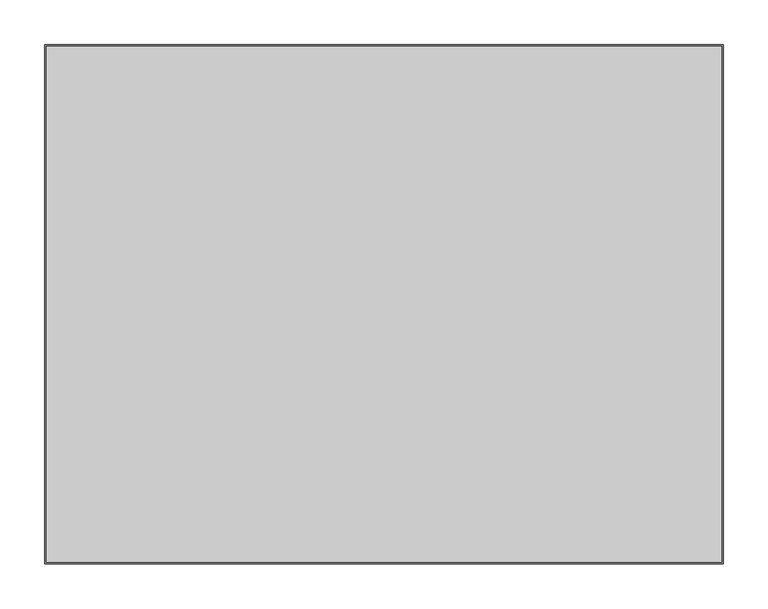
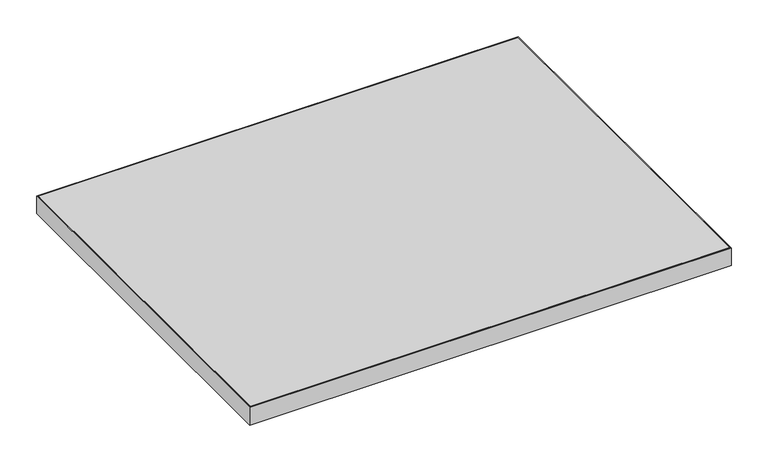
"""IFC4 building model written with IfcOpenShell, lengths in millimetres: furniture geometry."""

from ifc_helpers import new_model, si_unit, frame, origin, place, context, project, spatial, polyline, outline, extrude, source, transform, mapped, element, save


def furniture_529dfd4d(model_context):
    return source(origin(), model_context, "Body", "SweptSolid", [
        extrude(outline(polyline([(-3.1242, 831.9008), (-3.1242, 253.9492), (-758.8758, 253.9492), (-758.8758, 831.9008), (-3.1242, 831.9008)])), frame((0.0, 0.0, 707.009), z_axis=(0.0, 0.0, 1.0), x_axis=(1.0, 0.0, 0.0)), (0.0, 0.0, 1.0), 29.591),
        extrude(outline(polyline([(-1.5367, 252.3617), (-760.4633, 252.3617), (-760.4633, 833.4883), (-1.5367, 833.4883), (-1.5367, 252.3617)]), holes=[polyline([(-3.1242, 831.9008), (-758.8758, 831.9008), (-758.8758, 253.9492), (-3.1242, 253.9492), (-3.1242, 831.9008)])]), frame((0.0, 0.0, 707.009), z_axis=(0.0, 0.0, 1.0), x_axis=(1.0, 0.0, 0.0)), (0.0, 0.0, 1.0), 29.591),
    ])


if __name__ == "__main__":
    model = new_model("IFC4")
    model_context = context("Model", 3, world=origin())
    ifc_project = project(units=[si_unit("LENGTHUNIT", "METRE", prefix="MILLI")], contexts=[model_context])
    site = spatial("IfcSite", under=ifc_project)
    building = spatial("IfcBuilding", under=site)
    placement = place(None, origin())
    furniture_shape = furniture_529dfd4d(model_context)
    element("IfcFurniture", 1, at=placement, inside=building, context=model_context, shape_type="MappedRepresentation", body=[
        mapped(furniture_shape, transform((0.0, 0.0, 0.0), x_axis=(1.0, 0.0, 0.0), y_axis=(0.0, 1.0, 0.0), z_axis=(0.0, 0.0, 1.0))),
    ])
    save(model, "model.ifc")
